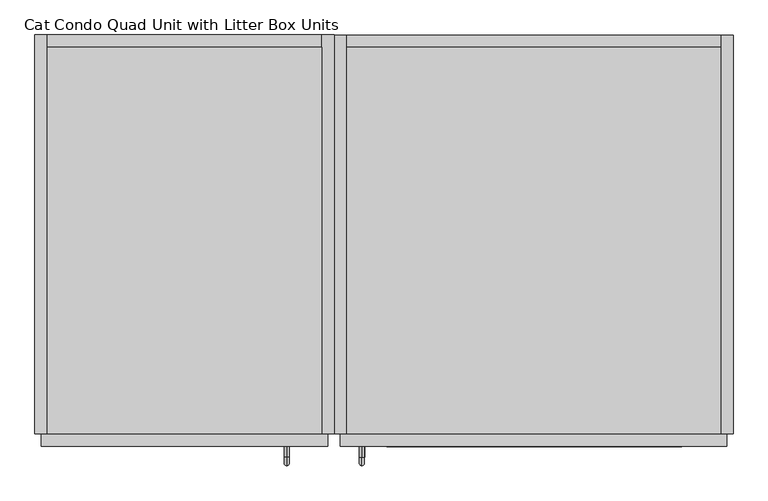
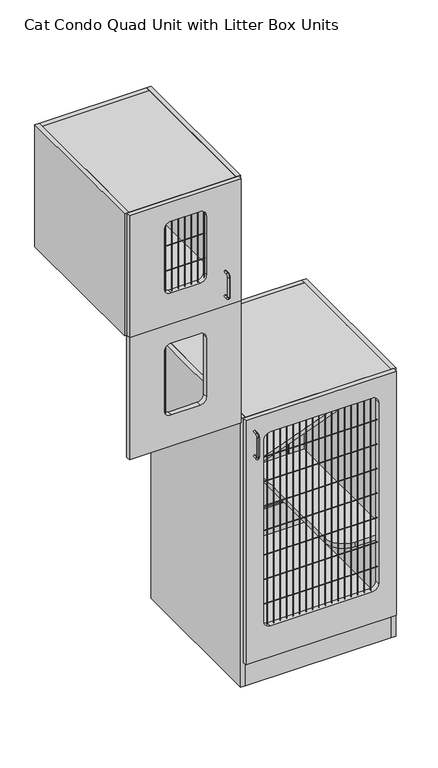
"""IFC4 building model written with IfcOpenShell, lengths in millimetres: proxy geometry, Cat Condo Quad Unit with Litter Box Units."""

from ifc_helpers import new_model, si_unit, point, frame, frame_2d, origin, origin_with_axes, place, context, project, spatial, polyline, circle_curve, ellipse_curve, trimmed, segment, composite_curve, outline, extrude, source, transform, mapped, element, save
from ifc_brep_helpers import plane_surface, cylinder_surface, revolved_surface, advanced_brep


def cat_condo_quad_unit_with_litter_box_units_f94b8e4e(model_context):
    return source(origin(), model_context, "Body", "SolidModel", [
        extrude(outline(composite_curve([segment(trimmed(circle_curve(frame_2d((765.0919665, -9.6602248)), 0.79375), [point((764.2982165, -9.6602248))], [point((765.8857165, -9.6602248))], False, "CARTESIAN"), True, "CONTINUOUS"), segment(trimmed(circle_curve(frame_2d((765.0919665, -9.6602248)), 0.79375), [point((765.8857165, -9.6602248))], [point((764.2982165, -9.6602248))], False, "CARTESIAN"), True, "CONTINUOUS")], self_intersect=False)), frame((0.0, 0.0, 1243.0125), z_axis=(0.0, 0.0, 1.0), x_axis=(1.0, 0.0, 0.0)), (0.0, 0.0, 1.0), 298.45),
        extrude(outline(polyline([(1619.25, 1057.275), (1619.25, 619.125), (1112.8375, 619.125), (1112.8375, 1057.275), (1619.25, 1057.275)]), holes=[composite_curve([segment(polyline([(1539.875, 781.05), (1539.875, 895.35)]), True, "CONTINUOUS"), segment(trimmed(circle_curve(frame_2d((1514.475, 895.35)), 25.4), [point((1539.875, 895.35))], [point((1514.475, 920.75))], True, "CARTESIAN"), True, "CONTINUOUS"), segment(polyline([(1514.475, 920.75), (1268.4125, 920.75)]), True, "CONTINUOUS"), segment(trimmed(circle_curve(frame_2d((1268.4125, 895.35)), 25.4), [point((1268.4125, 920.75))], [point((1243.0125, 895.35))], True, "CARTESIAN"), True, "CONTINUOUS"), segment(polyline([(1243.0125, 895.35), (1243.0125, 781.05)]), True, "CONTINUOUS"), segment(trimmed(circle_curve(frame_2d((1268.4125, 781.05)), 25.4), [point((1243.0125, 781.05))], [point((1268.4125, 755.65))], True, "CARTESIAN"), True, "CONTINUOUS"), segment(polyline([(1268.4125, 755.65), (1514.475, 755.65)]), True, "CONTINUOUS"), segment(trimmed(circle_curve(frame_2d((1514.475, 781.05)), 25.4), [point((1514.475, 755.65))], [point((1539.875, 781.05))], True, "CARTESIAN"), True, "CONTINUOUS")], self_intersect=False)]), frame((0.0, -19.05, 0.0), z_axis=(0.0, 1.0, 0.0), x_axis=(0.0, 0.0, 1.0)), (0.0, 0.0, 1.0), 19.05),
        advanced_brep(
        [(994.1819084, -19.05, 1761.3743154), (994.1819084, -19.05, 1769.2256846), (994.1819084, -35.2117768, 1761.3743154), (994.1819084, -35.2117768, 1769.2256846), (994.1819084, -48.3756846, 1756.0617768), (994.1819084, -40.5243154, 1756.0617768), (994.1819084, -40.5243154, 1672.9382232), (994.1819084, -48.3756846, 1672.9382232), (994.1819084, -35.2117768, 1659.7743154), (994.1819084, -35.2117768, 1667.6256846), (994.1819084, -19.05, 1667.6256846), (994.1819084, -19.05, 1659.7743154)],
        [
            (0, 1, circle_curve(frame((994.1819084, -19.05, 1765.3), z_axis=(0.0, 1.0, 0.0), x_axis=(0.0, 0.0, 1.0)), 3.9256846)),
            (1, 0, circle_curve(frame((994.1819084, -19.05, 1765.3), z_axis=(0.0, 1.0, 0.0), x_axis=(0.0, 0.0, 1.0)), 3.9256846)),
            (0, 2),
            (2, 3, circle_curve(frame((994.1819084, -35.2117768, 1765.3), z_axis=(0.0, 1.0, 0.0), x_axis=(0.0, 0.0, 1.0)), 3.9256846)),
            (3, 1),
            (3, 2, circle_curve(frame((994.1819084, -35.2117768, 1765.3), z_axis=(0.0, 1.0, 0.0), x_axis=(0.0, 0.0, 1.0)), 3.9256846)),
            (4, 3, circle_curve(frame((994.1819084, -35.2117768, 1756.0617768), z_axis=(-1.0, 0.0, 0.0), x_axis=(0.0, 0.0, 1.0)), 13.1639078)),
            (2, 5, circle_curve(frame((994.1819084, -35.2117768, 1756.0617768), z_axis=(1.0, 0.0, 0.0), x_axis=(0.0, 0.0, 1.0)), 5.3125387)),
            (5, 4, circle_curve(frame((994.1819084, -44.45, 1756.0617768), z_axis=(0.0, 0.0, 1.0), x_axis=(0.0, -1.0000000000000002, 0.0)), 3.9256846)),
            (4, 5, circle_curve(frame((994.1819084, -44.45, 1756.0617768), z_axis=(0.0, 0.0, 1.0), x_axis=(0.0, -1.0000000000000002, 0.0)), 3.9256846)),
            (5, 6),
            (6, 7, circle_curve(frame((994.1819084, -44.45, 1672.9382232), z_axis=(0.0, 0.0, 1.0), x_axis=(0.0, -1.0000000000000002, 0.0)), 3.9256846)),
            (7, 4),
            (7, 6, circle_curve(frame((994.1819084, -44.45, 1672.9382232), z_axis=(0.0, 0.0, 1.0), x_axis=(0.0, -1.0000000000000002, 0.0)), 3.9256846)),
            (8, 7, circle_curve(frame((994.1819084, -35.2117768, 1672.9382232), z_axis=(-1.0, 0.0, 0.0), x_axis=(0.0, -1.0000000000000002, 0.0)), 13.1639078)),
            (6, 9, circle_curve(frame((994.1819084, -35.2117768, 1672.9382232), z_axis=(1.0, 0.0, 0.0), x_axis=(0.0, -1.0000000000000002, 0.0)), 5.3125387)),
            (9, 8, circle_curve(frame((994.1819084, -35.2117768, 1663.7), z_axis=(0.0, -1.0000000000000002, 0.0), x_axis=(0.0, 0.0, -1.0)), 3.9256846)),
            (8, 9, circle_curve(frame((994.1819084, -35.2117768, 1663.7), z_axis=(0.0, -1.0000000000000002, 0.0), x_axis=(0.0, 0.0, -1.0)), 3.9256846)),
            (10, 11, circle_curve(frame((994.1819084, -19.05, 1663.7), z_axis=(0.0, 1.0, 0.0), x_axis=(0.0, 0.0, -1.0)), 3.9256846)),
            (11, 10, circle_curve(frame((994.1819084, -19.05, 1663.7), z_axis=(0.0, 1.0, 0.0), x_axis=(0.0, 0.0, -1.0)), 3.9256846)),
            (9, 10),
            (11, 8),
        ],
        [
            plane_surface(frame((994.1819084, -19.05, 1765.3), z_axis=(0.0, 1.0, 0.0), x_axis=(1.0, 0.0, 0.0))),
            cylinder_surface(frame((994.1819084, -19.05, 1765.3), z_axis=(0.0, 1.0000000000000002, 0.0), x_axis=(0.0, 0.0, 1.0)), 3.9256846),
            revolved_surface(trimmed(ellipse_curve(frame((994.1819084, -35.2117768, 1765.3), z_axis=(0.0, 1.0000000000000002, 0.0), x_axis=(0.0, 0.0, 1.0)), 3.9256846, 3.9256846), [point((994.1819084, -35.2117768, 1761.3743154))], [point((994.1819084, -35.2117768, 1769.2256846))], True, "CARTESIAN"), (994.1819084, -35.2117768, 1756.0617768), (1.0000000000000002, 0.0, 0.0)),
            revolved_surface(trimmed(ellipse_curve(frame((994.1819084, -35.2117768, 1765.3), z_axis=(0.0, 1.0000000000000002, 0.0), x_axis=(0.0, 0.0, 1.0)), 3.9256846, 3.9256846), [point((994.1819084, -35.2117768, 1769.2256846))], [point((994.1819084, -35.2117768, 1761.3743154))], True, "CARTESIAN"), (994.1819084, -35.2117768, 1756.0617768), (1.0000000000000002, 0.0, 0.0)),
            cylinder_surface(frame((994.1819084, -44.45, 1756.0617768), z_axis=(0.0, 0.0, 1.0), x_axis=(0.0, -1.0000000000000002, 0.0)), 3.9256846),
            revolved_surface(trimmed(ellipse_curve(frame((994.1819084, -44.45, 1672.9382232), z_axis=(0.0, 0.0, 1.0), x_axis=(0.0, -1.0000000000000002, 0.0)), 3.9256846, 3.9256846), [point((994.1819084, -40.5243154, 1672.9382232))], [point((994.1819084, -48.3756846, 1672.9382232))], True, "CARTESIAN"), (994.1819084, -35.2117768, 1672.9382232), (1.0000000000000002, 0.0, 0.0)),
            revolved_surface(trimmed(ellipse_curve(frame((994.1819084, -44.45, 1672.9382232), z_axis=(0.0, 0.0, 1.0), x_axis=(0.0, -1.0000000000000002, 0.0)), 3.9256846, 3.9256846), [point((994.1819084, -48.3756846, 1672.9382232))], [point((994.1819084, -40.5243154, 1672.9382232))], True, "CARTESIAN"), (994.1819084, -35.2117768, 1672.9382232), (1.0000000000000002, 0.0, 0.0)),
            plane_surface(frame((994.1819084, -19.05, 1663.7), z_axis=(0.0, 1.0, 0.0), x_axis=(1.0, 0.0, 0.0))),
            cylinder_surface(frame((994.1819084, -35.2117768, 1663.7), z_axis=(0.0, -1.0000000000000002, 0.0), x_axis=(0.0, 0.0, -1.0)), 3.9256846),
        ],
        [
            (0, [[1, 2]]),
            (1, [[-1, 3, 4, 5]]),
            (1, [[-2, -5, 6, -3]]),
            (2, [[7, -4, 8, 9]]),
            (3, [[-8, -6, -7, 10]]),
            (4, [[-9, 11, 12, 13]]),
            (4, [[-10, -13, 14, -11]]),
            (5, [[15, -12, 16, 17]]),
            (6, [[-16, -14, -15, 18]]),
            (7, [[19, 20]]),
            (8, [[-17, 21, -20, 22]]),
            (8, [[-18, -22, -19, -21]]),
        ],
    ),
        extrude(outline(polyline([(1047.75, 590.55), (1047.75, 0.0), (628.65, 0.0), (628.65, 590.55), (1047.75, 590.55)])), frame((0.0, 0.0, 2106.6125), z_axis=(0.0, 0.0, 1.0), x_axis=(1.0, 0.0, 0.0)), (0.0, 0.0, 1.0), 19.05),
        extrude(outline(polyline([(1047.75, 0.0), (628.65, 0.0), (628.65, 590.55), (1047.75, 590.55), (1047.75, 0.0)])), frame((0.0, 0.0, 1619.25), z_axis=(0.0, 0.0, 1.0), x_axis=(1.0, 0.0, 0.0)), (0.0, 0.0, 1.0), 19.05),
        extrude(outline(polyline([(1047.75, 609.6), (1066.8, 609.6), (1066.8, 0.0), (1047.75, 0.0), (1047.75, 609.6)])), frame((0.0, 0.0, 1619.25), z_axis=(0.0, 0.0, 1.0), x_axis=(1.0, 0.0, 0.0)), (0.0, 0.0, 1.0), 506.4125),
        extrude(outline(polyline([(1047.75, 609.6), (1047.75, 590.55), (628.65, 590.55), (628.65, 609.6), (1047.75, 609.6)])), frame((0.0, 0.0, 1619.25), z_axis=(0.0, 0.0, 1.0), x_axis=(1.0, 0.0, 0.0)), (0.0, 0.0, 1.0), 506.4125),
        extrude(outline(polyline([(628.65, 609.6), (628.65, 0.0), (609.6, 0.0), (609.6, 609.6), (628.65, 609.6)])), frame((0.0, 0.0, 1619.25), z_axis=(0.0, 0.0, 1.0), x_axis=(1.0, 0.0, 0.0)), (0.0, 0.0, 1.0), 506.4125),
        extrude(outline(composite_curve([segment(trimmed(circle_curve(frame_2d((-9.6602248, 1943.1)), 0.79375), [point((-9.6602248, 1943.89375))], [point((-9.6602248, 1942.30625))], False, "CARTESIAN"), True, "CONTINUOUS"), segment(trimmed(circle_curve(frame_2d((-9.6602248, 1943.1)), 0.79375), [point((-9.6602248, 1942.30625))], [point((-9.6602248, 1943.89375))], False, "CARTESIAN"), True, "CONTINUOUS")], self_intersect=False)), frame((755.65, 0.0, 0.0), z_axis=(1.0, 0.0, 0.0), x_axis=(0.0, 1.0, 0.0)), (0.0, 0.0, 1.0), 165.1),
        extrude(outline(composite_curve([segment(trimmed(circle_curve(frame_2d((-9.6602248, 1839.9125)), 0.79375), [point((-9.6602248, 1840.70625))], [point((-9.6602248, 1839.11875))], False, "CARTESIAN"), True, "CONTINUOUS"), segment(trimmed(circle_curve(frame_2d((-9.6602248, 1839.9125)), 0.79375), [point((-9.6602248, 1839.11875))], [point((-9.6602248, 1840.70625))], False, "CARTESIAN"), True, "CONTINUOUS")], self_intersect=False)), frame((755.65, 0.0, 0.0), z_axis=(1.0, 0.0, 0.0), x_axis=(0.0, 1.0, 0.0)), (0.0, 0.0, 1.0), 165.1),
        extrude(outline(composite_curve([segment(trimmed(circle_curve(frame_2d((917.4919665, -9.6602248)), 0.79375), [point((916.6982165, -9.6602248))], [point((918.2857165, -9.6602248))], False, "CARTESIAN"), True, "CONTINUOUS"), segment(trimmed(circle_curve(frame_2d((917.4919665, -9.6602248)), 0.79375), [point((918.2857165, -9.6602248))], [point((916.6982165, -9.6602248))], False, "CARTESIAN"), True, "CONTINUOUS")], self_intersect=False)), frame((0.0, 0.0, 1749.425), z_axis=(0.0, 0.0, 1.0), x_axis=(1.0, 0.0, 0.0)), (0.0, 0.0, 1.0), 298.45),
        extrude(outline(composite_curve([segment(trimmed(circle_curve(frame_2d((892.0919665, -9.6602248)), 0.79375), [point((891.2982165, -9.6602248))], [point((892.8857165, -9.6602248))], False, "CARTESIAN"), True, "CONTINUOUS"), segment(trimmed(circle_curve(frame_2d((892.0919665, -9.6602248)), 0.79375), [point((892.8857165, -9.6602248))], [point((891.2982165, -9.6602248))], False, "CARTESIAN"), True, "CONTINUOUS")], self_intersect=False)), frame((0.0, 0.0, 1749.425), z_axis=(0.0, 0.0, 1.0), x_axis=(1.0, 0.0, 0.0)), (0.0, 0.0, 1.0), 298.45),
        extrude(outline(composite_curve([segment(trimmed(circle_curve(frame_2d((866.6919665, -9.6602248)), 0.79375), [point((865.8982165, -9.6602248))], [point((867.4857165, -9.6602248))], False, "CARTESIAN"), True, "CONTINUOUS"), segment(trimmed(circle_curve(frame_2d((866.6919665, -9.6602248)), 0.79375), [point((867.4857165, -9.6602248))], [point((865.8982165, -9.6602248))], False, "CARTESIAN"), True, "CONTINUOUS")], self_intersect=False)), frame((0.0, 0.0, 1749.425), z_axis=(0.0, 0.0, 1.0), x_axis=(1.0, 0.0, 0.0)), (0.0, 0.0, 1.0), 298.45),
        extrude(outline(composite_curve([segment(trimmed(circle_curve(frame_2d((841.2919665, -9.6602248)), 0.79375), [point((840.4982165, -9.6602248))], [point((842.0857165, -9.6602248))], False, "CARTESIAN"), True, "CONTINUOUS"), segment(trimmed(circle_curve(frame_2d((841.2919665, -9.6602248)), 0.79375), [point((842.0857165, -9.6602248))], [point((840.4982165, -9.6602248))], False, "CARTESIAN"), True, "CONTINUOUS")], self_intersect=False)), frame((0.0, 0.0, 1749.425), z_axis=(0.0, 0.0, 1.0), x_axis=(1.0, 0.0, 0.0)), (0.0, 0.0, 1.0), 298.45),
        extrude(outline(composite_curve([segment(trimmed(circle_curve(frame_2d((815.8919665, -9.6602248)), 0.79375), [point((815.0982165, -9.6602248))], [point((816.6857165, -9.6602248))], False, "CARTESIAN"), True, "CONTINUOUS"), segment(trimmed(circle_curve(frame_2d((815.8919665, -9.6602248)), 0.79375), [point((816.6857165, -9.6602248))], [point((815.0982165, -9.6602248))], False, "CARTESIAN"), True, "CONTINUOUS")], self_intersect=False)), frame((0.0, 0.0, 1749.425), z_axis=(0.0, 0.0, 1.0), x_axis=(1.0, 0.0, 0.0)), (0.0, 0.0, 1.0), 298.45),
        extrude(outline(composite_curve([segment(trimmed(circle_curve(frame_2d((790.4919665, -9.6602248)), 0.79375), [point((789.6982165, -9.6602248))], [point((791.2857165, -9.6602248))], False, "CARTESIAN"), True, "CONTINUOUS"), segment(trimmed(circle_curve(frame_2d((790.4919665, -9.6602248)), 0.79375), [point((791.2857165, -9.6602248))], [point((789.6982165, -9.6602248))], False, "CARTESIAN"), True, "CONTINUOUS")], self_intersect=False)), frame((0.0, 0.0, 1749.425), z_axis=(0.0, 0.0, 1.0), x_axis=(1.0, 0.0, 0.0)), (0.0, 0.0, 1.0), 298.45),
        extrude(outline(composite_curve([segment(trimmed(circle_curve(frame_2d((765.0919665, -9.6602248)), 0.79375), [point((764.2982165, -9.6602248))], [point((765.8857165, -9.6602248))], False, "CARTESIAN"), True, "CONTINUOUS"), segment(trimmed(circle_curve(frame_2d((765.0919665, -9.6602248)), 0.79375), [point((765.8857165, -9.6602248))], [point((764.2982165, -9.6602248))], False, "CARTESIAN"), True, "CONTINUOUS")], self_intersect=False)), frame((0.0, 0.0, 1749.425), z_axis=(0.0, 0.0, 1.0), x_axis=(1.0, 0.0, 0.0)), (0.0, 0.0, 1.0), 298.45),
        extrude(outline(composite_curve([segment(trimmed(circle_curve(frame_2d((892.0919665, -9.6602248)), 0.79375), [point((891.2982165, -9.6602248))], [point((892.8857165, -9.6602248))], False, "CARTESIAN"), True, "CONTINUOUS"), segment(trimmed(circle_curve(frame_2d((892.0919665, -9.6602248)), 0.79375), [point((892.8857165, -9.6602248))], [point((891.2982165, -9.6602248))], False, "CARTESIAN"), True, "CONTINUOUS")], self_intersect=False)), frame((0.0, 0.0, 1749.425), z_axis=(0.0, 0.0, 1.0), x_axis=(1.0, 0.0, 0.0)), (0.0, 0.0, 1.0), 298.45),
        extrude(outline(composite_curve([segment(trimmed(circle_curve(frame_2d((866.6919665, -9.6602248)), 0.79375), [point((865.8982165, -9.6602248))], [point((867.4857165, -9.6602248))], False, "CARTESIAN"), True, "CONTINUOUS"), segment(trimmed(circle_curve(frame_2d((866.6919665, -9.6602248)), 0.79375), [point((867.4857165, -9.6602248))], [point((865.8982165, -9.6602248))], False, "CARTESIAN"), True, "CONTINUOUS")], self_intersect=False)), frame((0.0, 0.0, 1749.425), z_axis=(0.0, 0.0, 1.0), x_axis=(1.0, 0.0, 0.0)), (0.0, 0.0, 1.0), 298.45),
        extrude(outline(composite_curve([segment(trimmed(circle_curve(frame_2d((841.2919665, -9.6602248)), 0.79375), [point((840.4982165, -9.6602248))], [point((842.0857165, -9.6602248))], False, "CARTESIAN"), True, "CONTINUOUS"), segment(trimmed(circle_curve(frame_2d((841.2919665, -9.6602248)), 0.79375), [point((842.0857165, -9.6602248))], [point((840.4982165, -9.6602248))], False, "CARTESIAN"), True, "CONTINUOUS")], self_intersect=False)), frame((0.0, 0.0, 1749.425), z_axis=(0.0, 0.0, 1.0), x_axis=(1.0, 0.0, 0.0)), (0.0, 0.0, 1.0), 298.45),
        extrude(outline(composite_curve([segment(trimmed(circle_curve(frame_2d((815.8919665, -9.6602248)), 0.79375), [point((815.0982165, -9.6602248))], [point((816.6857165, -9.6602248))], False, "CARTESIAN"), True, "CONTINUOUS"), segment(trimmed(circle_curve(frame_2d((815.8919665, -9.6602248)), 0.79375), [point((816.6857165, -9.6602248))], [point((815.0982165, -9.6602248))], False, "CARTESIAN"), True, "CONTINUOUS")], self_intersect=False)), frame((0.0, 0.0, 1749.425), z_axis=(0.0, 0.0, 1.0), x_axis=(1.0, 0.0, 0.0)), (0.0, 0.0, 1.0), 298.45),
        extrude(outline(composite_curve([segment(trimmed(circle_curve(frame_2d((790.4919665, -9.6602248)), 0.79375), [point((789.6982165, -9.6602248))], [point((791.2857165, -9.6602248))], False, "CARTESIAN"), True, "CONTINUOUS"), segment(trimmed(circle_curve(frame_2d((790.4919665, -9.6602248)), 0.79375), [point((791.2857165, -9.6602248))], [point((789.6982165, -9.6602248))], False, "CARTESIAN"), True, "CONTINUOUS")], self_intersect=False)), frame((0.0, 0.0, 1749.425), z_axis=(0.0, 0.0, 1.0), x_axis=(1.0, 0.0, 0.0)), (0.0, 0.0, 1.0), 298.45),
        extrude(outline(composite_curve([segment(trimmed(circle_curve(frame_2d((765.0919665, -9.6602248)), 0.79375), [point((764.2982165, -9.6602248))], [point((765.8857165, -9.6602248))], False, "CARTESIAN"), True, "CONTINUOUS"), segment(trimmed(circle_curve(frame_2d((765.0919665, -9.6602248)), 0.79375), [point((765.8857165, -9.6602248))], [point((764.2982165, -9.6602248))], False, "CARTESIAN"), True, "CONTINUOUS")], self_intersect=False)), frame((0.0, 0.0, 1749.425), z_axis=(0.0, 0.0, 1.0), x_axis=(1.0, 0.0, 0.0)), (0.0, 0.0, 1.0), 298.45),
        extrude(outline(polyline([(2125.6625, 1057.275), (2125.6625, 619.125), (1619.25, 619.125), (1619.25, 1057.275), (2125.6625, 1057.275)]), holes=[composite_curve([segment(polyline([(2046.2875, 781.05), (2046.2875, 895.35)]), True, "CONTINUOUS"), segment(trimmed(circle_curve(frame_2d((2020.8875, 895.35)), 25.4), [point((2046.2875, 895.35))], [point((2020.8875, 920.75))], True, "CARTESIAN"), True, "CONTINUOUS"), segment(polyline([(2020.8875, 920.75), (1774.825, 920.75)]), True, "CONTINUOUS"), segment(trimmed(circle_curve(frame_2d((1774.825, 895.35)), 25.4), [point((1774.825, 920.75))], [point((1749.425, 895.35))], True, "CARTESIAN"), True, "CONTINUOUS"), segment(polyline([(1749.425, 895.35), (1749.425, 781.05)]), True, "CONTINUOUS"), segment(trimmed(circle_curve(frame_2d((1774.825, 781.05)), 25.4), [point((1749.425, 781.05))], [point((1774.825, 755.65))], True, "CARTESIAN"), True, "CONTINUOUS"), segment(polyline([(1774.825, 755.65), (2020.8875, 755.65)]), True, "CONTINUOUS"), segment(trimmed(circle_curve(frame_2d((2020.8875, 781.05)), 25.4), [point((2020.8875, 755.65))], [point((2046.2875, 781.05))], True, "CARTESIAN"), True, "CONTINUOUS")], self_intersect=False)]), frame((0.0, -19.05, 0.0), z_axis=(0.0, 1.0, 0.0), x_axis=(0.0, 0.0, 1.0)), (0.0, 0.0, 1.0), 19.05),
        advanced_brep(
        [(1109.2871577, -19.05, 1056.5243154), (1109.2871577, -19.05, 1064.3756846), (1109.2871577, -35.2117768, 1056.5243154), (1109.2871577, -35.2117768, 1064.3756846), (1109.2871577, -35.2117768, 962.7756846), (1109.2871577, -19.05, 962.7756846), (1109.2871577, -19.05, 954.9243154), (1109.2871577, -35.2117768, 954.9243154), (1109.2871577, -48.3756846, 1051.2117768), (1109.2871577, -40.5243154, 1051.2117768), (1109.2871577, -48.3756846, 968.0882232), (1109.2871577, -40.5243154, 968.0882232)],
        [
            (0, 1, circle_curve(frame((1109.2871577, -19.05, 1060.45), z_axis=(0.0, 1.0, 0.0), x_axis=(0.0, 0.0, 1.0)), 3.9256846)),
            (1, 0, circle_curve(frame((1109.2871577, -19.05, 1060.45), z_axis=(0.0, 1.0, 0.0), x_axis=(0.0, 0.0, 1.0)), 3.9256846)),
            (0, 2),
            (2, 3, circle_curve(frame((1109.2871577, -35.2117768, 1060.45), z_axis=(0.0, 1.0, 0.0), x_axis=(0.0, 0.0, 1.0)), 3.9256846)),
            (3, 1),
            (4, 5),
            (5, 6, circle_curve(frame((1109.2871577, -19.05, 958.85), z_axis=(0.0, -1.0, 0.0), x_axis=(0.0, 0.0, -1.0)), 3.9256846)),
            (6, 7),
            (7, 4, circle_curve(frame((1109.2871577, -35.2117768, 958.85), z_axis=(0.0, 1.0, 0.0), x_axis=(0.0, 0.0, -1.0)), 3.9256846)),
            (3, 2, circle_curve(frame((1109.2871577, -35.2117768, 1060.45), z_axis=(0.0, 1.0, 0.0), x_axis=(0.0, 0.0, 1.0)), 3.9256846)),
            (8, 9, circle_curve(frame((1109.2871577, -44.45, 1051.2117768), z_axis=(0.0, 0.0, 1.0), x_axis=(0.0, -1.0, 0.0)), 3.9256846)),
            (9, 2, circle_curve(frame((1109.2871577, -35.2117768, 1051.2117768), z_axis=(-1.0, 0.0, 0.0), x_axis=(0.0, 0.0, 1.0)), 5.3125387)),
            (3, 8, circle_curve(frame((1109.2871577, -35.2117768, 1051.2117768), z_axis=(1.0, 0.0, 0.0), x_axis=(0.0, 0.0, 1.0)), 13.1639078)),
            (9, 8, circle_curve(frame((1109.2871577, -44.45, 1051.2117768), z_axis=(0.0, 0.0, 1.0), x_axis=(0.0, -1.0, 0.0)), 3.9256846)),
            (8, 10),
            (10, 11, circle_curve(frame((1109.2871577, -44.45, 968.0882232), z_axis=(0.0, 0.0, 1.0), x_axis=(0.0, -1.0, 0.0)), 3.9256846)),
            (11, 9),
            (11, 10, circle_curve(frame((1109.2871577, -44.45, 968.0882232), z_axis=(0.0, 0.0, 1.0), x_axis=(0.0, -1.0, 0.0)), 3.9256846)),
            (7, 4, circle_curve(frame((1109.2871577, -35.2117768, 958.85), z_axis=(0.0, -1.0, 0.0), x_axis=(0.0, 0.0, -1.0)), 3.9256846)),
            (4, 11, circle_curve(frame((1109.2871577, -35.2117768, 968.0882232), z_axis=(-1.0, 0.0, 0.0), x_axis=(0.0, -1.0, 0.0)), 5.3125387)),
            (10, 7, circle_curve(frame((1109.2871577, -35.2117768, 968.0882232), z_axis=(1.0, 0.0, 0.0), x_axis=(0.0, -1.0, 0.0)), 13.1639078)),
            (5, 6, circle_curve(frame((1109.2871577, -19.05, 958.85), z_axis=(0.0, 1.0, 0.0), x_axis=(0.0, 0.0, -1.0)), 3.9256846)),
        ],
        [
            plane_surface(frame((1109.2871577, -19.05, 1060.45), z_axis=(0.0, 1.0, 0.0), x_axis=(-1.0, 0.0, 0.0))),
            cylinder_surface(frame((1109.2871577, -19.05, 1060.45), z_axis=(0.0, 1.0, 0.0), x_axis=(0.0, 0.0, 1.0)), 3.9256846),
            cylinder_surface(frame((1109.2871577, -35.2117768, 958.85), z_axis=(0.0, -1.0, 0.0), x_axis=(0.0, 0.0, -1.0)), 3.9256846),
            revolved_surface(trimmed(ellipse_curve(frame((1109.2871577, -35.2117768, 1060.45), z_axis=(0.0, -1.0, 0.0), x_axis=(0.0, 0.0, 1.0)), 3.9256846, 3.9256846), [point((1109.2871577, -35.2117768, 1056.5243154))], [point((1109.2871577, -35.2117768, 1064.3756846))], True, "CARTESIAN"), (1109.2871577, -35.2117768, 1051.2117768), (-1.0, 0.0, 0.0)),
            revolved_surface(trimmed(ellipse_curve(frame((1109.2871577, -35.2117768, 1060.45), z_axis=(0.0, -1.0, 0.0), x_axis=(0.0, 0.0, 1.0)), 3.9256846, 3.9256846), [point((1109.2871577, -35.2117768, 1064.3756846))], [point((1109.2871577, -35.2117768, 1056.5243154))], True, "CARTESIAN"), (1109.2871577, -35.2117768, 1051.2117768), (-1.0, 0.0, 0.0)),
            cylinder_surface(frame((1109.2871577, -44.45, 1051.2117768), z_axis=(0.0, 0.0, 1.0), x_axis=(0.0, -1.0, 0.0)), 3.9256846),
            revolved_surface(trimmed(ellipse_curve(frame((1109.2871577, -44.45, 968.0882232), z_axis=(0.0, 0.0, -1.0), x_axis=(0.0, -1.0, 0.0)), 3.9256846, 3.9256846), [point((1109.2871577, -40.5243154, 968.0882232))], [point((1109.2871577, -48.3756846, 968.0882232))], True, "CARTESIAN"), (1109.2871577, -35.2117768, 968.0882232), (-1.0, 0.0, 0.0)),
            revolved_surface(trimmed(ellipse_curve(frame((1109.2871577, -44.45, 968.0882232), z_axis=(0.0, 0.0, -1.0), x_axis=(0.0, -1.0, 0.0)), 3.9256846, 3.9256846), [point((1109.2871577, -48.3756846, 968.0882232))], [point((1109.2871577, -40.5243154, 968.0882232))], True, "CARTESIAN"), (1109.2871577, -35.2117768, 968.0882232), (-1.0, 0.0, 0.0)),
            plane_surface(frame((1109.2871577, -19.05, 958.85), z_axis=(0.0, 1.0, 0.0), x_axis=(-1.0, 0.0, 0.0))),
        ],
        [
            (0, [[1, 2]]),
            (1, [[3, 4, 5, -1]]),
            (2, [[6, 7, 8, 9]]),
            (1, [[-5, 10, -3, -2]]),
            (3, [[11, 12, -10, 13]]),
            (4, [[14, -13, -4, -12]]),
            (5, [[15, 16, 17, -11]]),
            (5, [[-17, 18, -15, -14]]),
            (6, [[19, 20, -16, 21]]),
            (7, [[-9, -21, -18, -20]]),
            (8, [[22, -7]]),
            (2, [[-8, -22, -6, -19]]),
        ],
    ),
        extrude(outline(polyline([(1085.85, 590.55), (1657.35, 590.55), (1657.35, 0.0), (1085.85, 0.0), (1085.85, 590.55)])), frame((0.0, 0.0, 1095.375), z_axis=(0.0, 0.0, 1.0), x_axis=(1.0, 0.0, 0.0)), (0.0, 0.0, 1.0), 19.05),
        extrude(outline(composite_curve([segment(trimmed(circle_curve(frame_2d((1009.65, 1172.36875)), 25.4), [point((1035.05, 1172.36875))], [point((1009.65, 1146.96875))], False, "CARTESIAN"), True, "CONTINUOUS"), segment(polyline([(1009.65, 1146.96875), (257.175, 1146.96875)]), True, "CONTINUOUS"), segment(trimmed(circle_curve(frame_2d((257.175, 1172.36875)), 25.4), [point((257.175, 1146.96875))], [point((231.775, 1172.36875))], False, "CARTESIAN"), True, "CONTINUOUS"), segment(polyline([(231.775, 1172.36875), (231.775, 1572.41875)]), True, "CONTINUOUS"), segment(trimmed(circle_curve(frame_2d((257.175, 1572.41875)), 25.4), [point((231.775, 1572.41875))], [point((257.175, 1597.81875))], False, "CARTESIAN"), True, "CONTINUOUS"), segment(polyline([(257.175, 1597.81875), (1009.65, 1597.81875)]), True, "CONTINUOUS"), segment(trimmed(circle_curve(frame_2d((1009.65, 1572.41875)), 25.4), [point((1009.65, 1597.81875))], [point((1035.05, 1572.41875))], False, "CARTESIAN"), True, "CONTINUOUS"), segment(polyline([(1035.05, 1572.41875), (1035.05, 1172.36875)]), True, "CONTINUOUS")], self_intersect=False)), frame((0.0, 596.9, 0.0), z_axis=(0.0, 1.0, 0.0), x_axis=(0.0, 0.0, 1.0)), (0.0, 0.0, 1.0), 6.35),
        extrude(outline(polyline([(1114.425, 1085.85), (0.0, 1085.85), (0.0, 1657.35), (1114.425, 1657.35), (1114.425, 1085.85)]), holes=[composite_curve([segment(trimmed(circle_curve(frame_2d((1009.65, 1172.36875)), 25.4), [point((1009.65, 1146.96875))], [point((1035.05, 1172.36875))], True, "CARTESIAN"), True, "CONTINUOUS"), segment(polyline([(1035.05, 1172.36875), (1035.05, 1572.41875)]), True, "CONTINUOUS"), segment(trimmed(circle_curve(frame_2d((1009.65, 1572.41875)), 25.4), [point((1035.05, 1572.41875))], [point((1009.65, 1597.81875))], True, "CARTESIAN"), True, "CONTINUOUS"), segment(polyline([(1009.65, 1597.81875), (257.175, 1597.81875)]), True, "CONTINUOUS"), segment(trimmed(circle_curve(frame_2d((257.175, 1572.41875)), 25.4), [point((257.175, 1597.81875))], [point((231.775, 1572.41875))], True, "CARTESIAN"), True, "CONTINUOUS"), segment(polyline([(231.775, 1572.41875), (231.775, 1172.36875)]), True, "CONTINUOUS"), segment(trimmed(circle_curve(frame_2d((257.175, 1172.36875)), 25.4), [point((231.775, 1172.36875))], [point((257.175, 1146.96875))], True, "CARTESIAN"), True, "CONTINUOUS"), segment(polyline([(257.175, 1146.96875), (1009.65, 1146.96875)]), True, "CONTINUOUS")], self_intersect=False)]), frame((0.0, 590.55, 0.0), z_axis=(0.0, 1.0, 0.0), x_axis=(0.0, 0.0, 1.0)), (0.0, 0.0, 1.0), 19.05),
        extrude(outline(polyline([(1085.85, 590.55), (1657.35, 590.55), (1657.35, 374.65), (1085.85, 166.6410111), (1085.85, 590.55)])), frame((0.0, 0.0, 711.2), z_axis=(0.0, 0.0, 1.0), x_axis=(1.0, 0.0, 0.0)), (0.0, 0.0, 1.0), 19.05),
        extrude(outline(composite_curve([segment(polyline([(1454.15, 590.55), (1657.35, 590.55), (1657.35, 25.4), (1530.35, 25.4)]), True, "CONTINUOUS"), segment(trimmed(circle_curve(frame_2d((1530.35, 101.6)), 76.2), [point((1530.35, 25.4))], [point((1454.15, 101.6))], False, "CARTESIAN"), True, "CONTINUOUS"), segment(polyline([(1454.15, 101.6), (1454.15, 590.55)]), True, "CONTINUOUS")], self_intersect=False)), frame((0.0, 0.0, 406.4), z_axis=(0.0, 0.0, 1.0), x_axis=(1.0, 0.0, 0.0)), (0.0, 0.0, 1.0), 19.05),
        extrude(outline(polyline([(1085.85, 0.0), (1085.85, 590.55), (1657.35, 590.55), (1657.35, 0.0), (1085.85, 0.0)])), frame((0.0, 0.0, 101.6), z_axis=(0.0, 0.0, 1.0), x_axis=(1.0, 0.0, 0.0)), (0.0, 0.0, 1.0), 19.05),
        extrude(outline(polyline([(1085.85, 19.05), (1657.35, 19.05), (1657.35, 0.0), (1085.85, 0.0), (1085.85, 19.05)])), origin_with_axes(), (0.0, 0.0, 1.0), 101.6),
        extrude(outline(polyline([(1085.85, 609.6), (1085.85, 0.0), (1066.8, 0.0), (1066.8, 609.6), (1085.85, 609.6)])), origin_with_axes(), (0.0, 0.0, 1.0), 1114.425),
        extrude(outline(polyline([(1657.35, 609.6), (1676.4, 609.6), (1676.4, 0.0), (1657.35, 0.0), (1657.35, 609.6)])), origin_with_axes(), (0.0, 0.0, 1.0), 1114.425),
        extrude(outline(composite_curve([segment(trimmed(circle_curve(frame_2d((-9.6602248, 931.8625)), 0.79375), [point((-9.6602248, 932.65625))], [point((-9.6602248, 931.06875))], False, "CARTESIAN"), True, "CONTINUOUS"), segment(trimmed(circle_curve(frame_2d((-9.6602248, 931.8625)), 0.79375), [point((-9.6602248, 931.06875))], [point((-9.6602248, 932.65625))], False, "CARTESIAN"), True, "CONTINUOUS")], self_intersect=False)), frame((1146.96875, 0.0, 0.0), z_axis=(1.0, 0.0, 0.0), x_axis=(0.0, 1.0, 0.0)), (0.0, 0.0, 1.0), 450.85),
        extrude(outline(composite_curve([segment(trimmed(circle_curve(frame_2d((-9.6602248, 830.2625)), 0.79375), [point((-9.6602248, 831.05625))], [point((-9.6602248, 829.46875))], False, "CARTESIAN"), True, "CONTINUOUS"), segment(trimmed(circle_curve(frame_2d((-9.6602248, 830.2625)), 0.79375), [point((-9.6602248, 829.46875))], [point((-9.6602248, 831.05625))], False, "CARTESIAN"), True, "CONTINUOUS")], self_intersect=False)), frame((1146.96875, 0.0, 0.0), z_axis=(1.0, 0.0, 0.0), x_axis=(0.0, 1.0, 0.0)), (0.0, 0.0, 1.0), 450.85),
        extrude(outline(composite_curve([segment(trimmed(circle_curve(frame_2d((-9.6602248, 728.6625)), 0.79375), [point((-9.6602248, 729.45625))], [point((-9.6602248, 727.86875))], False, "CARTESIAN"), True, "CONTINUOUS"), segment(trimmed(circle_curve(frame_2d((-9.6602248, 728.6625)), 0.79375), [point((-9.6602248, 727.86875))], [point((-9.6602248, 729.45625))], False, "CARTESIAN"), True, "CONTINUOUS")], self_intersect=False)), frame((1146.96875, 0.0, 0.0), z_axis=(1.0, 0.0, 0.0), x_axis=(0.0, 1.0, 0.0)), (0.0, 0.0, 1.0), 450.85),
        extrude(outline(composite_curve([segment(trimmed(circle_curve(frame_2d((-9.6602248, 627.0625)), 0.79375), [point((-9.6602248, 627.85625))], [point((-9.6602248, 626.26875))], False, "CARTESIAN"), True, "CONTINUOUS"), segment(trimmed(circle_curve(frame_2d((-9.6602248, 627.0625)), 0.79375), [point((-9.6602248, 626.26875))], [point((-9.6602248, 627.85625))], False, "CARTESIAN"), True, "CONTINUOUS")], self_intersect=False)), frame((1146.96875, 0.0, 0.0), z_axis=(1.0, 0.0, 0.0), x_axis=(0.0, 1.0, 0.0)), (0.0, 0.0, 1.0), 450.85),
        extrude(outline(composite_curve([segment(trimmed(circle_curve(frame_2d((-9.6602248, 525.4625)), 0.79375), [point((-9.6602248, 526.25625))], [point((-9.6602248, 524.66875))], False, "CARTESIAN"), True, "CONTINUOUS"), segment(trimmed(circle_curve(frame_2d((-9.6602248, 525.4625)), 0.79375), [point((-9.6602248, 524.66875))], [point((-9.6602248, 526.25625))], False, "CARTESIAN"), True, "CONTINUOUS")], self_intersect=False)), frame((1146.96875, 0.0, 0.0), z_axis=(1.0, 0.0, 0.0), x_axis=(0.0, 1.0, 0.0)), (0.0, 0.0, 1.0), 450.85),
        extrude(outline(composite_curve([segment(trimmed(circle_curve(frame_2d((-9.6602248, 423.8625)), 0.79375), [point((-9.6602248, 424.65625))], [point((-9.6602248, 423.06875))], False, "CARTESIAN"), True, "CONTINUOUS"), segment(trimmed(circle_curve(frame_2d((-9.6602248, 423.8625)), 0.79375), [point((-9.6602248, 423.06875))], [point((-9.6602248, 424.65625))], False, "CARTESIAN"), True, "CONTINUOUS")], self_intersect=False)), frame((1146.96875, 0.0, 0.0), z_axis=(1.0, 0.0, 0.0), x_axis=(0.0, 1.0, 0.0)), (0.0, 0.0, 1.0), 450.85),
        extrude(outline(composite_curve([segment(trimmed(circle_curve(frame_2d((-9.6602248, 322.2625)), 0.79375), [point((-9.6602248, 323.05625))], [point((-9.6602248, 321.46875))], False, "CARTESIAN"), True, "CONTINUOUS"), segment(trimmed(circle_curve(frame_2d((-9.6602248, 322.2625)), 0.79375), [point((-9.6602248, 321.46875))], [point((-9.6602248, 323.05625))], False, "CARTESIAN"), True, "CONTINUOUS")], self_intersect=False)), frame((1146.96875, 0.0, 0.0), z_axis=(1.0, 0.0, 0.0), x_axis=(0.0, 1.0, 0.0)), (0.0, 0.0, 1.0), 450.85),
        extrude(outline(composite_curve([segment(trimmed(circle_curve(frame_2d((1165.3080335, -9.6602248)), 0.79375), [point((1166.1017835, -9.6602248))], [point((1164.5142835, -9.6602248))], False, "CARTESIAN"), True, "CONTINUOUS"), segment(trimmed(circle_curve(frame_2d((1165.3080335, -9.6602248)), 0.79375), [point((1164.5142835, -9.6602248))], [point((1166.1017835, -9.6602248))], False, "CARTESIAN"), True, "CONTINUOUS")], self_intersect=False)), frame((0.0, 0.0, 231.775), z_axis=(0.0, 0.0, 1.0), x_axis=(1.0, 0.0, 0.0)), (0.0, 0.0, 1.0), 803.275),
        extrude(outline(composite_curve([segment(trimmed(circle_curve(frame_2d((1190.7080335, -9.6602248)), 0.79375), [point((1191.5017835, -9.6602248))], [point((1189.9142835, -9.6602248))], False, "CARTESIAN"), True, "CONTINUOUS"), segment(trimmed(circle_curve(frame_2d((1190.7080335, -9.6602248)), 0.79375), [point((1189.9142835, -9.6602248))], [point((1191.5017835, -9.6602248))], False, "CARTESIAN"), True, "CONTINUOUS")], self_intersect=False)), frame((0.0, 0.0, 231.775), z_axis=(0.0, 0.0, 1.0), x_axis=(1.0, 0.0, 0.0)), (0.0, 0.0, 1.0), 803.275),
        extrude(outline(composite_curve([segment(trimmed(circle_curve(frame_2d((1216.1080335, -9.6602248)), 0.79375), [point((1216.9017835, -9.6602248))], [point((1215.3142835, -9.6602248))], False, "CARTESIAN"), True, "CONTINUOUS"), segment(trimmed(circle_curve(frame_2d((1216.1080335, -9.6602248)), 0.79375), [point((1215.3142835, -9.6602248))], [point((1216.9017835, -9.6602248))], False, "CARTESIAN"), True, "CONTINUOUS")], self_intersect=False)), frame((0.0, 0.0, 231.775), z_axis=(0.0, 0.0, 1.0), x_axis=(1.0, 0.0, 0.0)), (0.0, 0.0, 1.0), 803.275),
        extrude(outline(composite_curve([segment(trimmed(circle_curve(frame_2d((1241.5080335, -9.6602248)), 0.79375), [point((1242.3017835, -9.6602248))], [point((1240.7142835, -9.6602248))], False, "CARTESIAN"), True, "CONTINUOUS"), segment(trimmed(circle_curve(frame_2d((1241.5080335, -9.6602248)), 0.79375), [point((1240.7142835, -9.6602248))], [point((1242.3017835, -9.6602248))], False, "CARTESIAN"), True, "CONTINUOUS")], self_intersect=False)), frame((0.0, 0.0, 231.775), z_axis=(0.0, 0.0, 1.0), x_axis=(1.0, 0.0, 0.0)), (0.0, 0.0, 1.0), 803.275),
        extrude(outline(composite_curve([segment(trimmed(circle_curve(frame_2d((1266.9080335, -9.6602248)), 0.79375), [point((1267.7017835, -9.6602248))], [point((1266.1142835, -9.6602248))], False, "CARTESIAN"), True, "CONTINUOUS"), segment(trimmed(circle_curve(frame_2d((1266.9080335, -9.6602248)), 0.79375), [point((1266.1142835, -9.6602248))], [point((1267.7017835, -9.6602248))], False, "CARTESIAN"), True, "CONTINUOUS")], self_intersect=False)), frame((0.0, 0.0, 231.775), z_axis=(0.0, 0.0, 1.0), x_axis=(1.0, 0.0, 0.0)), (0.0, 0.0, 1.0), 803.275),
        extrude(outline(composite_curve([segment(trimmed(circle_curve(frame_2d((1292.3080335, -9.6602248)), 0.79375), [point((1293.1017835, -9.6602248))], [point((1291.5142835, -9.6602248))], False, "CARTESIAN"), True, "CONTINUOUS"), segment(trimmed(circle_curve(frame_2d((1292.3080335, -9.6602248)), 0.79375), [point((1291.5142835, -9.6602248))], [point((1293.1017835, -9.6602248))], False, "CARTESIAN"), True, "CONTINUOUS")], self_intersect=False)), frame((0.0, 0.0, 231.775), z_axis=(0.0, 0.0, 1.0), x_axis=(1.0, 0.0, 0.0)), (0.0, 0.0, 1.0), 803.275),
        extrude(outline(composite_curve([segment(trimmed(circle_curve(frame_2d((1317.7080335, -9.6602248)), 0.79375), [point((1318.5017835, -9.6602248))], [point((1316.9142835, -9.6602248))], False, "CARTESIAN"), True, "CONTINUOUS"), segment(trimmed(circle_curve(frame_2d((1317.7080335, -9.6602248)), 0.79375), [point((1316.9142835, -9.6602248))], [point((1318.5017835, -9.6602248))], False, "CARTESIAN"), True, "CONTINUOUS")], self_intersect=False)), frame((0.0, 0.0, 231.775), z_axis=(0.0, 0.0, 1.0), x_axis=(1.0, 0.0, 0.0)), (0.0, 0.0, 1.0), 803.275),
        extrude(outline(composite_curve([segment(trimmed(circle_curve(frame_2d((1343.1080335, -9.6602248)), 0.79375), [point((1343.9017835, -9.6602248))], [point((1342.3142835, -9.6602248))], False, "CARTESIAN"), True, "CONTINUOUS"), segment(trimmed(circle_curve(frame_2d((1343.1080335, -9.6602248)), 0.79375), [point((1342.3142835, -9.6602248))], [point((1343.9017835, -9.6602248))], False, "CARTESIAN"), True, "CONTINUOUS")], self_intersect=False)), frame((0.0, 0.0, 231.775), z_axis=(0.0, 0.0, 1.0), x_axis=(1.0, 0.0, 0.0)), (0.0, 0.0, 1.0), 803.275),
        extrude(outline(composite_curve([segment(trimmed(circle_curve(frame_2d((1368.5080335, -9.6602248)), 0.79375), [point((1369.3017835, -9.6602248))], [point((1367.7142835, -9.6602248))], False, "CARTESIAN"), True, "CONTINUOUS"), segment(trimmed(circle_curve(frame_2d((1368.5080335, -9.6602248)), 0.79375), [point((1367.7142835, -9.6602248))], [point((1369.3017835, -9.6602248))], False, "CARTESIAN"), True, "CONTINUOUS")], self_intersect=False)), frame((0.0, 0.0, 231.775), z_axis=(0.0, 0.0, 1.0), x_axis=(1.0, 0.0, 0.0)), (0.0, 0.0, 1.0), 803.275),
        extrude(outline(composite_curve([segment(trimmed(circle_curve(frame_2d((1393.9080335, -9.6602248)), 0.79375), [point((1394.7017835, -9.6602248))], [point((1393.1142835, -9.6602248))], False, "CARTESIAN"), True, "CONTINUOUS"), segment(trimmed(circle_curve(frame_2d((1393.9080335, -9.6602248)), 0.79375), [point((1393.1142835, -9.6602248))], [point((1394.7017835, -9.6602248))], False, "CARTESIAN"), True, "CONTINUOUS")], self_intersect=False)), frame((0.0, 0.0, 231.775), z_axis=(0.0, 0.0, 1.0), x_axis=(1.0, 0.0, 0.0)), (0.0, 0.0, 1.0), 803.275),
        extrude(outline(composite_curve([segment(trimmed(circle_curve(frame_2d((1419.3080335, -9.6602248)), 0.79375), [point((1420.1017835, -9.6602248))], [point((1418.5142835, -9.6602248))], False, "CARTESIAN"), True, "CONTINUOUS"), segment(trimmed(circle_curve(frame_2d((1419.3080335, -9.6602248)), 0.79375), [point((1418.5142835, -9.6602248))], [point((1420.1017835, -9.6602248))], False, "CARTESIAN"), True, "CONTINUOUS")], self_intersect=False)), frame((0.0, 0.0, 231.775), z_axis=(0.0, 0.0, 1.0), x_axis=(1.0, 0.0, 0.0)), (0.0, 0.0, 1.0), 803.275),
        extrude(outline(composite_curve([segment(trimmed(circle_curve(frame_2d((1444.7080335, -9.6602248)), 0.79375), [point((1445.5017835, -9.6602248))], [point((1443.9142835, -9.6602248))], False, "CARTESIAN"), True, "CONTINUOUS"), segment(trimmed(circle_curve(frame_2d((1444.7080335, -9.6602248)), 0.79375), [point((1443.9142835, -9.6602248))], [point((1445.5017835, -9.6602248))], False, "CARTESIAN"), True, "CONTINUOUS")], self_intersect=False)), frame((0.0, 0.0, 231.775), z_axis=(0.0, 0.0, 1.0), x_axis=(1.0, 0.0, 0.0)), (0.0, 0.0, 1.0), 803.275),
        extrude(outline(composite_curve([segment(trimmed(circle_curve(frame_2d((1470.1080335, -9.6602248)), 0.79375), [point((1470.9017835, -9.6602248))], [point((1469.3142835, -9.6602248))], False, "CARTESIAN"), True, "CONTINUOUS"), segment(trimmed(circle_curve(frame_2d((1470.1080335, -9.6602248)), 0.79375), [point((1469.3142835, -9.6602248))], [point((1470.9017835, -9.6602248))], False, "CARTESIAN"), True, "CONTINUOUS")], self_intersect=False)), frame((0.0, 0.0, 231.775), z_axis=(0.0, 0.0, 1.0), x_axis=(1.0, 0.0, 0.0)), (0.0, 0.0, 1.0), 803.275),
        extrude(outline(composite_curve([segment(trimmed(circle_curve(frame_2d((1495.5080335, -9.6602248)), 0.79375), [point((1496.3017835, -9.6602248))], [point((1494.7142835, -9.6602248))], False, "CARTESIAN"), True, "CONTINUOUS"), segment(trimmed(circle_curve(frame_2d((1495.5080335, -9.6602248)), 0.79375), [point((1494.7142835, -9.6602248))], [point((1496.3017835, -9.6602248))], False, "CARTESIAN"), True, "CONTINUOUS")], self_intersect=False)), frame((0.0, 0.0, 231.775), z_axis=(0.0, 0.0, 1.0), x_axis=(1.0, 0.0, 0.0)), (0.0, 0.0, 1.0), 803.275),
        extrude(outline(composite_curve([segment(trimmed(circle_curve(frame_2d((1520.9080335, -9.6602248)), 0.79375), [point((1521.7017835, -9.6602248))], [point((1520.1142835, -9.6602248))], False, "CARTESIAN"), True, "CONTINUOUS"), segment(trimmed(circle_curve(frame_2d((1520.9080335, -9.6602248)), 0.79375), [point((1520.1142835, -9.6602248))], [point((1521.7017835, -9.6602248))], False, "CARTESIAN"), True, "CONTINUOUS")], self_intersect=False)), frame((0.0, 0.0, 231.775), z_axis=(0.0, 0.0, 1.0), x_axis=(1.0, 0.0, 0.0)), (0.0, 0.0, 1.0), 803.275),
        extrude(outline(composite_curve([segment(trimmed(circle_curve(frame_2d((1546.3080335, -9.6602248)), 0.79375), [point((1547.1017835, -9.6602248))], [point((1545.5142835, -9.6602248))], False, "CARTESIAN"), True, "CONTINUOUS"), segment(trimmed(circle_curve(frame_2d((1546.3080335, -9.6602248)), 0.79375), [point((1545.5142835, -9.6602248))], [point((1547.1017835, -9.6602248))], False, "CARTESIAN"), True, "CONTINUOUS")], self_intersect=False)), frame((0.0, 0.0, 231.775), z_axis=(0.0, 0.0, 1.0), x_axis=(1.0, 0.0, 0.0)), (0.0, 0.0, 1.0), 803.275),
        extrude(outline(composite_curve([segment(trimmed(circle_curve(frame_2d((1571.7080335, -9.6602248)), 0.79375), [point((1572.5017835, -9.6602248))], [point((1570.9142835, -9.6602248))], False, "CARTESIAN"), True, "CONTINUOUS"), segment(trimmed(circle_curve(frame_2d((1571.7080335, -9.6602248)), 0.79375), [point((1570.9142835, -9.6602248))], [point((1572.5017835, -9.6602248))], False, "CARTESIAN"), True, "CONTINUOUS")], self_intersect=False)), frame((0.0, 0.0, 231.775), z_axis=(0.0, 0.0, 1.0), x_axis=(1.0, 0.0, 0.0)), (0.0, 0.0, 1.0), 803.275),
        extrude(outline(polyline([(1114.425, 1076.325), (101.6, 1076.325), (101.6, 1666.875), (1114.425, 1666.875), (1114.425, 1076.325)]), holes=[composite_curve([segment(trimmed(circle_curve(frame_2d((1009.65, 1572.41875)), 25.4), [point((1035.05, 1572.41875))], [point((1009.65, 1597.81875))], True, "CARTESIAN"), True, "CONTINUOUS"), segment(polyline([(1009.65, 1597.81875), (257.175, 1597.81875)]), True, "CONTINUOUS"), segment(trimmed(circle_curve(frame_2d((257.175, 1572.41875)), 25.4), [point((257.175, 1597.81875))], [point((231.775, 1572.41875))], True, "CARTESIAN"), True, "CONTINUOUS"), segment(polyline([(231.775, 1572.41875), (231.775, 1172.36875)]), True, "CONTINUOUS"), segment(trimmed(circle_curve(frame_2d((257.175, 1172.36875)), 25.4), [point((231.775, 1172.36875))], [point((257.175, 1146.96875))], True, "CARTESIAN"), True, "CONTINUOUS"), segment(polyline([(257.175, 1146.96875), (1009.65, 1146.96875)]), True, "CONTINUOUS"), segment(trimmed(circle_curve(frame_2d((1009.65, 1172.36875)), 25.4), [point((1009.65, 1146.96875))], [point((1035.05, 1172.36875))], True, "CARTESIAN"), True, "CONTINUOUS"), segment(polyline([(1035.05, 1172.36875), (1035.05, 1572.41875)]), True, "CONTINUOUS")], self_intersect=False)]), frame((0.0, -19.05, 0.0), z_axis=(0.0, 1.0, 0.0), x_axis=(0.0, 0.0, 1.0)), (0.0, 0.0, 1.0), 19.05),
    ])


if __name__ == "__main__":
    model = new_model("IFC4")
    model_context = context("Model", 3, world=origin())
    ifc_project = project(units=[si_unit("LENGTHUNIT", "METRE", prefix="MILLI")], contexts=[model_context])
    site = spatial("IfcSite", under=ifc_project)
    building = spatial("IfcBuilding", under=site)
    placement = place(None, origin())
    cat_condo_quad_unit_with_litter_box_units_shape = cat_condo_quad_unit_with_litter_box_units_f94b8e4e(model_context)
    element("IfcBuildingElementProxy", 1, Name="Cat Condo Quad Unit with Litter Box Units", ObjectType="Cat Condo Quad Unit with Litter Box Units", at=placement, inside=building, context=model_context, shape_type="MappedRepresentation", body=[
        mapped(cat_condo_quad_unit_with_litter_box_units_shape, transform((0.0, 0.0, 0.0), x_axis=(1.0, 0.0, 0.0), y_axis=(0.0, 1.0, 0.0), z_axis=(0.0, 0.0, 1.0))),
    ])
    save(model, "model.ifc")
